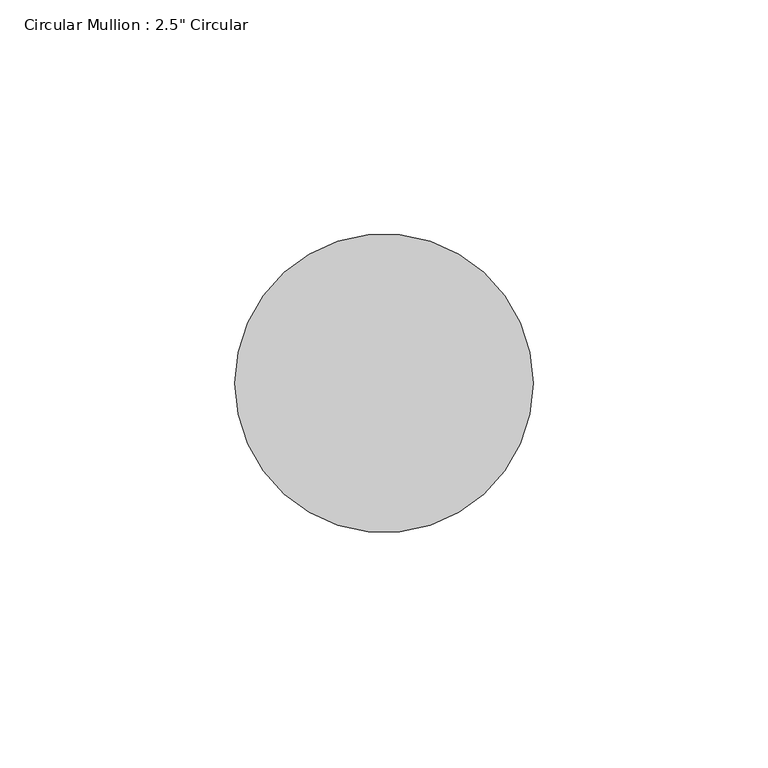
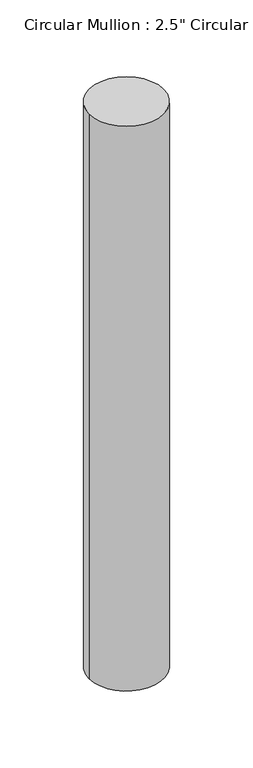
"""IFC4 building model written with IfcOpenShell, lengths in millimetres: member geometry."""

from ifc_helpers import new_model, si_unit, point, frame, origin, origin_2d, place, context, project, spatial, circle_curve, trimmed, segment, composite_curve, outline, extrude, source, transform, mapped, element, save


def member_6e051792(model_context):
    return source(origin(), model_context, "Body", "SweptSolid", [
        extrude(outline(composite_curve([segment(trimmed(circle_curve(origin_2d(), 31.75), [point((31.75, 0.0))], [point((-31.75, 0.0))], False, "CARTESIAN"), True, "CONTINUOUS"), segment(trimmed(circle_curve(origin_2d(), 31.75), [point((-31.75, 0.0))], [point((31.75, 0.0))], False, "CARTESIAN"), True, "CONTINUOUS")], self_intersect=False)), frame((0.0, 0.0, -508.0), z_axis=(0.0, 0.0, 1.0), x_axis=(1.0, 0.0, 0.0)), (0.0, 0.0, 1.0), 508.0),
    ])


if __name__ == "__main__":
    model = new_model("IFC4")
    model_context = context("Model", 3, world=origin())
    ifc_project = project(units=[si_unit("LENGTHUNIT", "METRE", prefix="MILLI")], contexts=[model_context])
    site = spatial("IfcSite", under=ifc_project)
    building = spatial("IfcBuilding", under=site)
    placement = place(None, origin())
    member_shape = member_6e051792(model_context)
    element("IfcMember", 1, ObjectType="Circular Mullion : 2.5\" Circular", at=placement, inside=building, context=model_context, shape_type="MappedRepresentation", body=[
        mapped(member_shape, transform((0.0, 0.0, 0.0), x_axis=(1.0, 0.0, 0.0), y_axis=(0.0, 1.0, 0.0), z_axis=(0.0, 0.0, 1.0))),
    ])
    save(model, "model.ifc")
